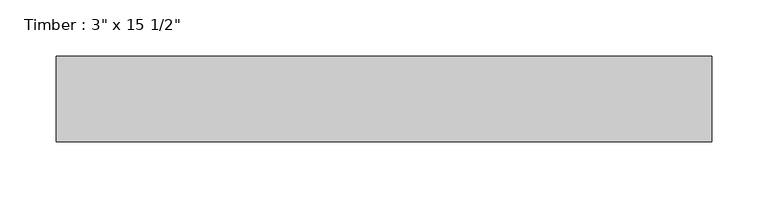
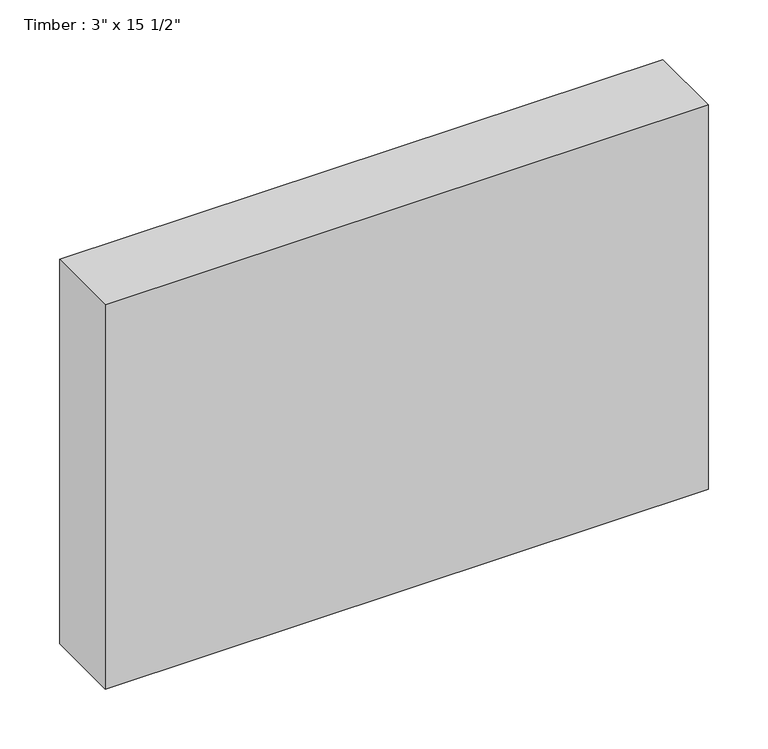
"""IFC4 building model written with IfcOpenShell, lengths in millimetres: beam geometry."""

from ifc_helpers import new_model, si_unit, frame, origin, place, context, project, spatial, polyline, outline, extrude, source, transform, mapped, element, save


def beam_14948e32(model_context):
    return source(origin(), model_context, "Body", "SweptSolid", [
        extrude(outline(polyline([(292.1, 38.1), (292.1, -38.1), (-292.1, -38.1), (-292.1, 38.1), (292.1, 38.1)])), frame((0.0, 0.0, -196.85), z_axis=(0.0, 0.0, 1.0), x_axis=(1.0, 0.0, 0.0)), (0.0, 0.0, 1.0), 393.7),
    ])


if __name__ == "__main__":
    model = new_model("IFC4")
    model_context = context("Model", 3, world=origin())
    ifc_project = project(units=[si_unit("LENGTHUNIT", "METRE", prefix="MILLI")], contexts=[model_context])
    site = spatial("IfcSite", under=ifc_project)
    building = spatial("IfcBuilding", under=site)
    placement = place(None, origin())
    beam_shape = beam_14948e32(model_context)
    element("IfcBeam", 1, ObjectType="Timber : 3\" x 15 1/2\"", at=placement, inside=building, context=model_context, shape_type="MappedRepresentation", body=[
        mapped(beam_shape, transform((0.0, 0.0, 0.0), x_axis=(1.0, 0.0, 0.0), y_axis=(0.0, 1.0, 0.0), z_axis=(0.0, 0.0, 1.0))),
    ])
    save(model, "model.ifc")
